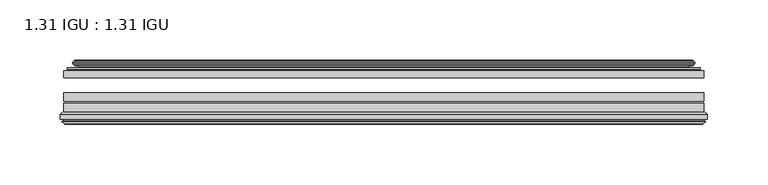
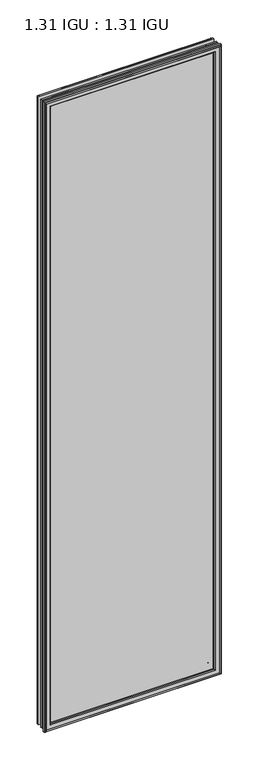
"""IFC4 building model written with IfcOpenShell, lengths in millimetres: plate geometry, 1.31 IGU : 1.31 IGU."""

from ifc_helpers import new_model, si_unit, frame, origin, place, context, project, spatial, polyline, ellipse_curve, outline, extrude, source, transform, mapped, element, save
from ifc_brep_helpers import plane_surface, cylinder_surface, revolved_surface, advanced_brep


def plate_1_31_igu_1_31_igu_c7709290(model_context):
    return source(origin(), model_context, "Body", "SolidModel", [
        extrude(outline(polyline([(265.1078362, -44.8960875), (265.1078362, -50.4332875), (-265.1127713, -50.4332875), (-265.1127713, -44.8960875), (265.1078362, -44.8960875)])), frame((0.0, 0.0, -14.2875), z_axis=(0.0, 0.0, 1.0), x_axis=(1.0, 0.0, 0.0)), (0.0, 0.0, 1.0), 2009.67848),
        extrude(outline(polyline([(-265.1127713, -78.7796875), (-265.1127713, -71.7692875), (265.1078362, -71.7692875), (265.1078362, -78.7796875), (-265.1127713, -78.7796875)])), frame((0.0, 0.0, -14.2875), z_axis=(0.0, 0.0, 1.0), x_axis=(1.0, 0.0, 0.0)), (0.0, 0.0, 1.0), 2009.67848),
        extrude(outline(polyline([(-265.1127713, -70.2452875), (-265.1127713, -63.1332875), (265.1078362, -63.1332875), (265.1078362, -70.2452875), (-265.1127713, -70.2452875)])), frame((0.0, 0.0, -14.2875), z_axis=(0.0, 0.0, 1.0), x_axis=(1.0, 0.0, 0.0)), (0.0, 0.0, 1.0), 2009.67848),
        advanced_brep(
        [(-255.7674468, -37.7373382, 1986.0456555), (-250.8258138, -36.3108875, 1981.1040226), (-250.8258138, -36.3108875, -0.0005426), (-255.7674468, -37.7373382, -4.9421755), (-255.6023415, -36.9605789, 1985.8805502), (-255.6023415, -36.9605789, -4.7770702), (-256.1978272, -36.4771203, 1986.4760359), (-256.1978272, -36.4771203, -5.3725559), (-257.462463, -37.766076, 1987.7406717), (-257.462463, -37.766076, -6.6371917), (-257.4516462, -38.8797852, 1987.7298549), (-257.4516462, -38.8797852, -6.6263749), (-256.170161, -40.1361433, 1986.4483697), (-256.170161, -40.1361433, -5.3448897), (-255.5651542, -39.649943, 1985.8433629), (-255.5651542, -39.649943, -4.7398829), (-256.1191684, -39.0959287, 1986.3973772), (-256.1191684, -39.0959287, -5.2938972), (-253.83336, -38.7029881, 1984.1115687), (-253.83336, -38.7029881, -3.0080887), (-252.3742869, -40.2107282, 1982.6524957), (-252.3742869, -40.2107282, -1.5490157), (-252.6708689, -41.651269, 1982.9490776), (-252.6708689, -41.651269, -1.8455976), (-253.4420933, -42.2798875, 1983.7203021), (-253.4420933, -42.2798875, -2.6168221), (-261.7460697, -43.4871542, 1992.0242784), (-261.4708682, -42.2798875, 1991.7490769), (-261.4708682, -42.2798875, -10.6455969), (-261.7460697, -43.4871542, -10.9207984), (-258.288501, -44.8960875, 1988.5667097), (-258.288501, -44.8960875, -7.4632297), (-247.1908772, -44.023302, 1977.4690859), (-247.5462152, -44.8960875, 1977.8244239), (-247.5462152, -44.8960875, 3.2790561), (-247.1908772, -44.023302, 3.6343941), (-247.8620752, -43.3681812, 1978.140284), (-247.8620752, -43.3681812, 2.963196), (-249.5028658, -40.6686056, 1979.7810746), (-249.5028658, -40.6686056, 1.3224054), (250.8258138, -36.3108875, -0.0005426), (255.7674468, -37.7373382, -4.9421755), (255.6023415, -36.9605789, -4.7770702), (256.1978272, -36.4771203, -5.3725559), (257.462463, -37.766076, -6.6371917), (257.4516462, -38.8797852, -6.6263749), (256.170161, -40.1361433, -5.3448897), (255.5651542, -39.649943, -4.7398829), (256.1191684, -39.0959287, -5.2938972), (253.83336, -38.7029881, -3.0080887), (252.3742869, -40.2107282, -1.5490157), (252.6708689, -41.651269, -1.8455976), (253.4420933, -42.2798875, -2.6168221), (261.4708682, -42.2798875, -10.6455969), (261.7460697, -43.4871542, -10.9207984), (258.288501, -44.8960875, -7.4632297), (247.5462152, -44.8960875, 3.2790561), (247.1908772, -44.023302, 3.6343941), (247.8620752, -43.3681812, 2.963196), (249.5028658, -40.6686056, 1.3224054), (250.8258138, -36.3108875, 1981.1040226), (255.7674468, -37.7373382, 1986.0456555), (255.6023415, -36.9605789, 1985.8805502), (256.1978272, -36.4771203, 1986.4760359), (257.462463, -37.766076, 1987.7406717), (257.4516462, -38.8797852, 1987.7298549), (256.170161, -40.1361433, 1986.4483697), (255.5651542, -39.649943, 1985.8433629), (256.1191684, -39.0959287, 1986.3973772), (253.83336, -38.7029881, 1984.1115687), (252.3742869, -40.2107282, 1982.6524957), (252.6708689, -41.651269, 1982.9490776), (253.4420933, -42.2798875, 1983.7203021), (261.4708682, -42.2798875, 1991.7490769), (261.7460697, -43.4871542, 1992.0242784), (258.288501, -44.8960875, 1988.5667097), (247.5462152, -44.8960875, 1977.8244239), (247.1908772, -44.023302, 1977.4690859), (247.8620752, -43.3681812, 1978.140284), (249.5028658, -40.6686056, 1979.7810746)],
        [
            (0, 1),
            (1, 2),
            (2, 3),
            (3, 0),
            (4, 0),
            (3, 5),
            (5, 4),
            (6, 4, ellipse_curve(frame((-255.9228584, -36.746901, 1986.2010671), z_axis=(-0.7071067811865475, 0.0, -0.7071067811865475), x_axis=(-0.7071067811865474, 0.0, 0.7071067811865476)), 0.5447741, 0.3852135)),
            (5, 7, ellipse_curve(frame((-255.9228584, -36.746901, -5.0975871), z_axis=(-0.7071067811865475, 0.0, 0.7071067811865475), x_axis=(0.7071067811865474, 0.0, 0.7071067811865476)), 0.5447741, 0.3852135)),
            (7, 6),
            (8, 6),
            (7, 9),
            (9, 8),
            (10, 8, ellipse_curve(frame((-256.9004099, -38.3175243, 1987.1786187), z_axis=(-0.7071067811865475, 0.0, -0.7071067811865475), x_axis=(-0.7071067811865474, 0.0, 0.7071067811865476)), 1.1135518, 0.7874)),
            (9, 11, ellipse_curve(frame((-256.9004099, -38.3175243, -6.0751387), z_axis=(-0.7071067811865475, 0.0, 0.7071067811865475), x_axis=(0.7071067811865474, 0.0, 0.7071067811865476)), 1.1135518, 0.7874)),
            (11, 10),
            (12, 10),
            (11, 13),
            (13, 12),
            (14, 12, ellipse_curve(frame((-255.8965635, -39.8570738, 1986.1747722), z_axis=(-0.7071067811865475, 0.0, -0.7071067811865475), x_axis=(-0.7071067811865474, 0.0, 0.7071067811865476)), 0.552694, 0.3908137)),
            (13, 15, ellipse_curve(frame((-255.8965635, -39.8570738, -5.0712922), z_axis=(-0.7071067811865475, 0.0, 0.7071067811865475), x_axis=(0.7071067811865474, 0.0, 0.7071067811865476)), 0.552694, 0.3908137)),
            (15, 14),
            (16, 14),
            (15, 17),
            (17, 16),
            (18, 16),
            (17, 19),
            (19, 18),
            (20, 18, ellipse_curve(frame((-253.6181974, -39.954629, 1983.8964061), z_axis=(0.7071067811865475, 0.0, 0.7071067811865475), x_axis=(0.7071067811865474, 0.0, -0.7071067811865476)), 1.7960512, 1.27)),
            (19, 21, ellipse_curve(frame((-253.6181974, -39.954629, -2.7929261), z_axis=(0.7071067811865475, 0.0, -0.7071067811865475), x_axis=(-0.7071067811865474, 0.0, -0.7071067811865476)), 1.7960512, 1.27)),
            (21, 20),
            (22, 20),
            (21, 23),
            (23, 22),
            (24, 22, ellipse_curve(frame((-253.4420933, -41.4924875, 1983.7203021), z_axis=(0.7071067811865475, 0.0, 0.7071067811865475), x_axis=(0.7071067811865474, 0.0, -0.7071067811865476)), 1.1135518, 0.7874)),
            (23, 25, ellipse_curve(frame((-253.4420933, -41.4924875, -2.6168221), z_axis=(0.7071067811865475, 0.0, -0.7071067811865475), x_axis=(-0.7071067811865474, 0.0, -0.7071067811865476)), 1.1135518, 0.7874)),
            (25, 24),
            (26, 27, ellipse_curve(frame((-261.4708682, -42.9148875, 1991.7490769), z_axis=(-0.7071067811865475, 0.0, -0.7071067811865475), x_axis=(-0.7071067811865474, 0.0, 0.7071067811865476)), 0.8980256, 0.635)),
            (27, 28),
            (28, 29, ellipse_curve(frame((-261.4708682, -42.9148875, -10.6455969), z_axis=(-0.7071067811865475, 0.0, 0.7071067811865475), x_axis=(0.7071067811865474, 0.0, 0.7071067811865476)), 0.8980256, 0.635)),
            (29, 26),
            (30, 26),
            (29, 31),
            (31, 30),
            (32, 33, ellipse_curve(frame((-247.5462152, -44.3873602, 1977.8244239), z_axis=(-0.7071067811865475, 0.0, -0.7071067811865475), x_axis=(-0.7071067811865474, 0.0, 0.7071067811865476)), 0.719449, 0.5087273)),
            (33, 34),
            (34, 35, ellipse_curve(frame((-247.5462152, -44.3873602, 3.2790561), z_axis=(-0.7071067811865475, 0.0, 0.7071067811865475), x_axis=(0.7071067811865474, 0.0, 0.7071067811865476)), 0.719449, 0.5087273)),
            (35, 32),
            (36, 32),
            (35, 37),
            (37, 36),
            (38, 36, ellipse_curve(frame((-243.426701, -38.823959, 1973.7049098), z_axis=(0.7071067811865475, 0.0, 0.7071067811865475), x_axis=(0.7071067811865474, 0.0, -0.7071067811865476)), 8.9802561, 6.35)),
            (37, 39, ellipse_curve(frame((-243.426701, -38.823959, 7.3985702), z_axis=(0.7071067811865475, 0.0, -0.7071067811865475), x_axis=(-0.7071067811865474, 0.0, -0.7071067811865476)), 8.9802561, 6.35)),
            (39, 38),
            (1, 38),
            (39, 2),
            (2, 40),
            (40, 41),
            (41, 3),
            (41, 42),
            (42, 5),
            (42, 43, ellipse_curve(frame((255.9228584, -36.746901, -5.0975871), z_axis=(-0.7071067811865475, 0.0, -0.7071067811865475), x_axis=(-0.7071067811865476, 0.0, 0.7071067811865474)), 0.5447741, 0.3852135)),
            (43, 7),
            (43, 44),
            (44, 9),
            (44, 45, ellipse_curve(frame((256.9004099, -38.3175243, -6.0751387), z_axis=(-0.7071067811865475, 0.0, -0.7071067811865475), x_axis=(-0.7071067811865476, 0.0, 0.7071067811865474)), 1.1135518, 0.7874)),
            (45, 11),
            (45, 46),
            (46, 13),
            (46, 47, ellipse_curve(frame((255.8965635, -39.8570738, -5.0712922), z_axis=(-0.7071067811865475, 0.0, -0.7071067811865475), x_axis=(-0.7071067811865476, 0.0, 0.7071067811865474)), 0.552694, 0.3908137)),
            (47, 15),
            (47, 48),
            (48, 17),
            (48, 49),
            (49, 19),
            (49, 50, ellipse_curve(frame((253.6181974, -39.954629, -2.7929261), z_axis=(0.7071067811865475, 0.0, 0.7071067811865475), x_axis=(0.7071067811865476, 0.0, -0.7071067811865474)), 1.7960512, 1.27)),
            (50, 21),
            (50, 51),
            (51, 23),
            (51, 52, ellipse_curve(frame((253.4420933, -41.4924875, -2.6168221), z_axis=(0.7071067811865475, 0.0, 0.7071067811865475), x_axis=(0.7071067811865476, 0.0, -0.7071067811865474)), 1.1135518, 0.7874)),
            (52, 25),
            (28, 53),
            (53, 54, ellipse_curve(frame((261.4708682, -42.9148875, -10.6455969), z_axis=(-0.7071067811865475, 0.0, -0.7071067811865475), x_axis=(-0.7071067811865476, 0.0, 0.7071067811865474)), 0.8980256, 0.635)),
            (54, 29),
            (54, 55),
            (55, 31),
            (34, 56),
            (56, 57, ellipse_curve(frame((247.5462152, -44.3873602, 3.2790561), z_axis=(-0.7071067811865475, 0.0, -0.7071067811865475), x_axis=(-0.7071067811865476, 0.0, 0.7071067811865474)), 0.719449, 0.5087273)),
            (57, 35),
            (57, 58),
            (58, 37),
            (58, 59, ellipse_curve(frame((243.426701, -38.823959, 7.3985702), z_axis=(0.7071067811865475, 0.0, 0.7071067811865475), x_axis=(0.7071067811865476, 0.0, -0.7071067811865474)), 8.9802561, 6.35)),
            (59, 39),
            (59, 40),
            (40, 60),
            (60, 61),
            (61, 41),
            (61, 62),
            (62, 42),
            (62, 63, ellipse_curve(frame((255.9228584, -36.746901, 1986.2010671), z_axis=(0.7071067811865475, 0.0, -0.7071067811865475), x_axis=(-0.7071067811865474, 0.0, -0.7071067811865476)), 0.5447741, 0.3852135)),
            (63, 43),
            (63, 64),
            (64, 44),
            (64, 65, ellipse_curve(frame((256.9004099, -38.3175243, 1987.1786187), z_axis=(0.7071067811865475, 0.0, -0.7071067811865475), x_axis=(-0.7071067811865474, 0.0, -0.7071067811865476)), 1.1135518, 0.7874)),
            (65, 45),
            (65, 66),
            (66, 46),
            (66, 67, ellipse_curve(frame((255.8965635, -39.8570738, 1986.1747722), z_axis=(0.7071067811865475, 0.0, -0.7071067811865475), x_axis=(-0.7071067811865474, 0.0, -0.7071067811865476)), 0.552694, 0.3908137)),
            (67, 47),
            (67, 68),
            (68, 48),
            (68, 69),
            (69, 49),
            (69, 70, ellipse_curve(frame((253.6181974, -39.954629, 1983.8964061), z_axis=(-0.7071067811865475, 0.0, 0.7071067811865475), x_axis=(0.7071067811865474, 0.0, 0.7071067811865476)), 1.7960512, 1.27)),
            (70, 50),
            (70, 71),
            (71, 51),
            (71, 72, ellipse_curve(frame((253.4420933, -41.4924875, 1983.7203021), z_axis=(-0.7071067811865475, 0.0, 0.7071067811865475), x_axis=(0.7071067811865474, 0.0, 0.7071067811865476)), 1.1135518, 0.7874)),
            (72, 52),
            (53, 73),
            (73, 74, ellipse_curve(frame((261.4708682, -42.9148875, 1991.7490769), z_axis=(0.7071067811865475, 0.0, -0.7071067811865475), x_axis=(-0.7071067811865474, 0.0, -0.7071067811865476)), 0.8980256, 0.635)),
            (74, 54),
            (74, 75),
            (75, 55),
            (56, 76),
            (76, 77, ellipse_curve(frame((247.5462152, -44.3873602, 1977.8244239), z_axis=(0.7071067811865475, 0.0, -0.7071067811865475), x_axis=(-0.7071067811865474, 0.0, -0.7071067811865476)), 0.719449, 0.5087273)),
            (77, 57),
            (77, 78),
            (78, 58),
            (78, 79, ellipse_curve(frame((243.426701, -38.823959, 1973.7049098), z_axis=(-0.7071067811865475, 0.0, 0.7071067811865475), x_axis=(0.7071067811865474, 0.0, 0.7071067811865476)), 8.9802561, 6.35)),
            (79, 59),
            (79, 60),
            (60, 1),
            (0, 61),
            (4, 62),
            (6, 63),
            (8, 64),
            (10, 65),
            (12, 66),
            (14, 67),
            (16, 68),
            (18, 69),
            (20, 70),
            (22, 71),
            (24, 72),
            (27, 73),
            (26, 74),
            (30, 75),
            (33, 76),
            (32, 77),
            (36, 78),
            (38, 79),
        ],
        [
            plane_surface(frame((-250.8258138, -36.3108875, 1981.1040226), z_axis=(-0.2773364928492854, 0.9607728502273877, 0.0), x_axis=(0.0, 0.0, -1.0))),
            plane_surface(frame((-255.7674468, -37.7373382, 1986.0456555), z_axis=(0.9781476007338358, -0.2079116908176177, 0.0), x_axis=(0.0, 0.0, -1.0))),
            cylinder_surface(frame((-255.9228584, -36.746901, 2012.85348), z_axis=(0.0, 0.0, 1.0), x_axis=(-1.0, 0.0, 0.0)), 0.3852135),
            plane_surface(frame((-256.1978272, -36.4771203, 1986.4760359), z_axis=(-0.7138087599382162, 0.7003406701280928, 0.0), x_axis=(0.0, 0.0, -1.0))),
            cylinder_surface(frame((-256.9004099, -38.3175243, 2012.85348), z_axis=(0.0, 0.0, 1.0), x_axis=(-1.0, 0.0, 0.0)), 0.7874),
            plane_surface(frame((-257.4516462, -38.8797852, 1987.7298549), z_axis=(-0.7000714109283732, -0.7140728391423082, 0.0), x_axis=(0.0, 0.0, -1.0))),
            cylinder_surface(frame((-255.8965635, -39.8570738, 2012.85348), z_axis=(0.0, 0.0, 1.0), x_axis=(-1.0, 0.0, 0.0)), 0.3908137),
            plane_surface(frame((-255.5651542, -39.649943, 1985.8433629), z_axis=(0.7071067811861126, 0.7071067811869826, 0.0), x_axis=(0.0, 0.0, -1.0))),
            plane_surface(frame((-256.1191684, -39.0959287, 1986.3973772), z_axis=(0.16941940671011482, -0.9855440449974789, 0.0), x_axis=(0.0, 0.0, -1.0))),
            revolved_surface(polyline([(-254.88819740000002, -39.954629, -4.062926082878221), (-254.88819740000002, -39.954629, 1985.1664060828782)]), (-253.6181974, -39.954629, 2012.85348), (0.0, 0.0, -1.0)),
            plane_surface(frame((-252.3742869, -40.2107282, 1982.6524957), z_axis=(-0.9794570432566897, 0.201652920670302, 0.0), x_axis=(0.0, 0.0, -1.0))),
            revolved_surface(polyline([(-254.2294933, -41.4924875, -3.4042221289826102), (-254.2294933, -41.4924875, 1984.5077021289826)]), (-253.4420933, -41.4924875, 2012.85348), (0.0, 0.0, -1.0)),
            cylinder_surface(frame((-261.4708682, -42.9148875, 2012.85348), z_axis=(0.0, 0.0, 1.0), x_axis=(-1.0, 0.0, 0.0)), 0.635),
            plane_surface(frame((-261.7460697, -43.4871542, 1992.0242784), z_axis=(-0.37736447542757934, -0.9260648209954139, 0.0), x_axis=(0.0, 0.0, -1.0))),
            cylinder_surface(frame((-247.5462152, -44.3873602, 2012.85348), z_axis=(0.0, 0.0, 1.0), x_axis=(-1.0, 0.0, 0.0)), 0.5087273),
            plane_surface(frame((-247.1908772, -44.023302, 1977.4690859), z_axis=(0.698484125849927, 0.7156255486884628, 0.0), x_axis=(0.0, 0.0, -1.0))),
            revolved_surface(polyline([(-249.776701, -38.823959, 1.0485702148980636), (-249.776701, -38.823959, 1980.054909785102)]), (-243.426701, -38.823959, 2012.85348), (0.0, 0.0, -1.0)),
            plane_surface(frame((-249.5028658, -40.6686056, 1979.7810746), z_axis=(0.9568763473517009, 0.2904955350411895, 0.0), x_axis=(0.0, 0.0, -1.0))),
            plane_surface(frame((-250.8258138, -36.3108875, -0.0005426), z_axis=(0.0, 0.9607728502273868, -0.2773364928492885), x_axis=(1.0, 0.0, 0.0))),
            plane_surface(frame((-255.7674468, -37.7373382, -4.9421755), z_axis=(0.0, -0.20791169081761454, 0.9781476007338364), x_axis=(1.0, 0.0, 0.0))),
            cylinder_surface(frame((-282.5752713, -36.746901, -5.0975871), z_axis=(-1.0, 0.0, 0.0), x_axis=(0.0, 0.0, -1.0)), 0.3852135),
            plane_surface(frame((-256.1978272, -36.4771203, -5.3725559), z_axis=(0.0, 0.7003406701280904, -0.7138087599382185), x_axis=(1.0, 0.0, 0.0))),
            cylinder_surface(frame((-282.5752713, -38.3175243, -6.0751387), z_axis=(-1.0, 0.0, 0.0), x_axis=(0.0, 0.0, -1.0)), 0.7874),
            plane_surface(frame((-257.4516462, -38.8797852, -6.6263749), z_axis=(0.0, -0.7140728391423105, -0.7000714109283709), x_axis=(1.0, 0.0, 0.0))),
            cylinder_surface(frame((-282.5752713, -39.8570738, -5.0712922), z_axis=(-1.0, 0.0, 0.0), x_axis=(0.0, 0.0, -1.0)), 0.3908137),
            plane_surface(frame((-255.5651542, -39.649943, -4.7398829), z_axis=(0.0, 0.7071067811869849, 0.7071067811861103), x_axis=(1.0, 0.0, 0.0))),
            plane_surface(frame((-256.1191684, -39.0959287, -5.2938972), z_axis=(0.0, -0.9855440449974784, 0.16941940671011801), x_axis=(1.0, 0.0, 0.0))),
            revolved_surface(polyline([(254.88819738287833, -39.954629, -4.0629261), (-254.88819738287825, -39.954629, -4.0629261)]), (-282.5752713, -39.954629, -2.7929261), (1.0, 0.0, 0.0)),
            plane_surface(frame((-252.3742869, -40.2107282, -1.5490157), z_axis=(0.0, 0.20165292067029883, -0.9794570432566904), x_axis=(1.0, 0.0, 0.0))),
            revolved_surface(polyline([(254.22949332898253, -41.4924875, -3.4042220999999997), (-254.2294933289825, -41.4924875, -3.4042220999999997)]), (-282.5752713, -41.4924875, -2.6168221), (1.0, 0.0, 0.0)),
            cylinder_surface(frame((-282.5752713, -42.9148875, -10.6455969), z_axis=(-1.0, 0.0, 0.0), x_axis=(0.0, 0.0, -1.0)), 0.635),
            plane_surface(frame((-261.7460697, -43.4871542, -10.9207984), z_axis=(0.0, -0.9260648209954151, -0.37736447542757634), x_axis=(1.0, 0.0, 0.0))),
            cylinder_surface(frame((-282.5752713, -44.3873602, 3.2790561), z_axis=(-1.0, 0.0, 0.0), x_axis=(0.0, 0.0, -1.0)), 0.5087273),
            plane_surface(frame((-247.1908772, -44.023302, 3.6343941), z_axis=(0.0, 0.7156255486884651, 0.6984841258499247), x_axis=(1.0, 0.0, 0.0))),
            revolved_surface(polyline([(249.77670098510185, -38.823959, 1.0485702000000003), (-249.77670098510185, -38.823959, 1.0485702000000003)]), (-282.5752713, -38.823959, 7.3985702), (1.0, 0.0, 0.0)),
            plane_surface(frame((-249.5028658, -40.6686056, 1.3224054), z_axis=(0.0, 0.29049553504119263, 0.9568763473517), x_axis=(1.0, 0.0, 0.0))),
            plane_surface(frame((250.8258138, -36.3108875, -0.0005426), z_axis=(0.2773364928492916, 0.9607728502273859, 0.0), x_axis=(0.0, 0.0, 1.0))),
            plane_surface(frame((255.7674468, -37.7373382, -4.9421755), z_axis=(-0.9781476007338371, -0.20791169081761138, 0.0), x_axis=(0.0, 0.0, 1.0))),
            cylinder_surface(frame((255.9228584, -36.746901, -31.75), z_axis=(0.0, 0.0, -1.0), x_axis=(1.0, 0.0, 0.0)), 0.3852135),
            plane_surface(frame((256.1978272, -36.4771203, -5.3725559), z_axis=(0.7138087599382208, 0.7003406701280882, 0.0), x_axis=(0.0, 0.0, 1.0))),
            cylinder_surface(frame((256.9004099, -38.3175243, -31.75), z_axis=(0.0, 0.0, -1.0), x_axis=(1.0, 0.0, 0.0)), 0.7874),
            plane_surface(frame((257.4516462, -38.8797852, -6.6263749), z_axis=(0.7000714109283687, -0.7140728391423128, 0.0), x_axis=(0.0, 0.0, 1.0))),
            cylinder_surface(frame((255.8965635, -39.8570738, -31.75), z_axis=(0.0, 0.0, -1.0), x_axis=(1.0, 0.0, 0.0)), 0.3908137),
            plane_surface(frame((255.5651542, -39.649943, -4.7398829), z_axis=(-0.7071067811861079, 0.7071067811869872, 0.0), x_axis=(0.0, 0.0, 1.0))),
            plane_surface(frame((256.1191684, -39.0959287, -5.2938972), z_axis=(-0.1694194067101212, -0.9855440449974778, 0.0), x_axis=(0.0, 0.0, 1.0))),
            revolved_surface(polyline([(254.88819740000002, -39.954629, 1985.1664060828782), (254.88819740000002, -39.954629, -4.062926082878235)]), (253.6181974, -39.954629, -31.75), (0.0, 0.0, 1.0)),
            plane_surface(frame((252.3742869, -40.2107282, -1.5490157), z_axis=(0.979457043256691, 0.20165292067029567, 0.0), x_axis=(0.0, 0.0, 1.0))),
            revolved_surface(polyline([(254.2294933, -41.4924875, 1984.5077021289826), (254.2294933, -41.4924875, -3.404222128982486)]), (253.4420933, -41.4924875, -31.75), (0.0, 0.0, 1.0)),
            cylinder_surface(frame((261.4708682, -42.9148875, -31.75), z_axis=(0.0, 0.0, -1.0), x_axis=(1.0, 0.0, 0.0)), 0.635),
            plane_surface(frame((261.7460697, -43.4871542, -10.9207984), z_axis=(0.37736447542757334, -0.9260648209954163, 0.0), x_axis=(0.0, 0.0, 1.0))),
            cylinder_surface(frame((247.5462152, -44.3873602, -31.75), z_axis=(0.0, 0.0, -1.0), x_axis=(1.0, 0.0, 0.0)), 0.5087273),
            plane_surface(frame((247.1908772, -44.023302, 3.6343941), z_axis=(-0.6984841258499224, 0.7156255486884673, 0.0), x_axis=(0.0, 0.0, 1.0))),
            revolved_surface(polyline([(249.776701, -38.823959, 1980.054909785102), (249.776701, -38.823959, 1.0485702148981417)]), (243.426701, -38.823959, -31.75), (0.0, 0.0, 1.0)),
            plane_surface(frame((249.5028658, -40.6686056, 1.3224054), z_axis=(-0.9568763473516991, 0.29049553504119574, 0.0), x_axis=(0.0, 0.0, 1.0))),
            plane_surface(frame((250.8258138, -36.3108875, 1981.1040226), z_axis=(0.0, 0.9607728502273868, 0.2773364928492885), x_axis=(-1.0, 0.0, 0.0))),
            plane_surface(frame((255.7674468, -37.7373382, 1986.0456555), z_axis=(0.0, -0.20791169081761454, -0.9781476007338364), x_axis=(-1.0, 0.0, 0.0))),
            cylinder_surface(frame((282.5752713, -36.746901, 1986.2010671), z_axis=(1.0, 0.0, 0.0), x_axis=(0.0, 0.0, 1.0)), 0.3852135),
            plane_surface(frame((256.1978272, -36.4771203, 1986.4760359), z_axis=(0.0, 0.7003406701280904, 0.7138087599382185), x_axis=(-1.0, 0.0, 0.0))),
            cylinder_surface(frame((282.5752713, -38.3175243, 1987.1786187), z_axis=(1.0, 0.0, 0.0), x_axis=(0.0, 0.0, 1.0)), 0.7874),
            plane_surface(frame((257.4516462, -38.8797852, 1987.7298549), z_axis=(0.0, -0.7140728391423106, 0.700071410928371), x_axis=(-1.0, 0.0, 0.0))),
            cylinder_surface(frame((282.5752713, -39.8570738, 1986.1747722), z_axis=(1.0, 0.0, 0.0), x_axis=(0.0, 0.0, 1.0)), 0.3908137),
            plane_surface(frame((255.5651542, -39.649943, 1985.8433629), z_axis=(0.0, 0.7071067811869849, -0.7071067811861103), x_axis=(-1.0, 0.0, 0.0))),
            plane_surface(frame((256.1191684, -39.0959287, 1986.3973772), z_axis=(0.0, -0.9855440449974784, -0.16941940671011801), x_axis=(-1.0, 0.0, 0.0))),
            revolved_surface(polyline([(-254.88819738287833, -39.954629, 1985.1664061), (254.88819738287825, -39.954629, 1985.1664061)]), (282.5752713, -39.954629, 1983.8964061), (-1.0, 0.0, 0.0)),
            plane_surface(frame((252.3742869, -40.2107282, 1982.6524957), z_axis=(0.0, 0.20165292067029883, 0.9794570432566904), x_axis=(-1.0, 0.0, 0.0))),
            revolved_surface(polyline([(-254.22949332898253, -41.4924875, 1984.5077021), (254.2294933289825, -41.4924875, 1984.5077021)]), (282.5752713, -41.4924875, 1983.7203021), (-1.0, 0.0, 0.0)),
            plane_surface(frame((253.4420933, -42.2798875, 1983.7203021), z_axis=(0.0, 1.0, 0.0), x_axis=(-1.0, 0.0, 0.0))),
            cylinder_surface(frame((282.5752713, -42.9148875, 1991.7490769), z_axis=(1.0, 0.0, 0.0), x_axis=(0.0, 0.0, 1.0)), 0.635),
            plane_surface(frame((261.7460697, -43.4871542, 1992.0242784), z_axis=(0.0, -0.9260648209954151, 0.37736447542757634), x_axis=(-1.0, 0.0, 0.0))),
            plane_surface(frame((258.288501, -44.8960875, 1988.5667097), z_axis=(0.0, -1.0, 0.0), x_axis=(-1.0, 0.0, 0.0))),
            cylinder_surface(frame((282.5752713, -44.3873602, 1977.8244239), z_axis=(1.0, 0.0, 0.0), x_axis=(0.0, 0.0, 1.0)), 0.5087273),
            plane_surface(frame((247.1908772, -44.023302, 1977.4690859), z_axis=(0.0, 0.7156255486884651, -0.6984841258499247), x_axis=(-1.0, 0.0, 0.0))),
            revolved_surface(polyline([(-249.77670098510185, -38.823959, 1980.0549098), (249.77670098510185, -38.823959, 1980.0549098)]), (282.5752713, -38.823959, 1973.7049098), (-1.0, 0.0, 0.0)),
            plane_surface(frame((249.5028658, -40.6686056, 1979.7810746), z_axis=(0.0, 0.29049553504119263, -0.9568763473517), x_axis=(-1.0, 0.0, 0.0))),
        ],
        [
            (0, [[1, 2, 3, 4]]),
            (1, [[5, -4, 6, 7]]),
            (2, [[8, -7, 9, 10]]),
            (3, [[11, -10, 12, 13]]),
            (4, [[14, -13, 15, 16]]),
            (5, [[17, -16, 18, 19]]),
            (6, [[20, -19, 21, 22]]),
            (7, [[23, -22, 24, 25]]),
            (8, [[26, -25, 27, 28]]),
            (9, [[29, -28, 30, 31]]),
            (10, [[32, -31, 33, 34]]),
            (11, [[35, -34, 36, 37]]),
            (12, [[38, 39, 40, 41]]),
            (13, [[42, -41, 43, 44]]),
            (14, [[45, 46, 47, 48]]),
            (15, [[49, -48, 50, 51]]),
            (16, [[52, -51, 53, 54]]),
            (17, [[55, -54, 56, -2]]),
            (18, [[-3, 57, 58, 59]]),
            (19, [[-6, -59, 60, 61]]),
            (20, [[-9, -61, 62, 63]]),
            (21, [[-12, -63, 64, 65]]),
            (22, [[-15, -65, 66, 67]]),
            (23, [[-18, -67, 68, 69]]),
            (24, [[-21, -69, 70, 71]]),
            (25, [[-24, -71, 72, 73]]),
            (26, [[-27, -73, 74, 75]]),
            (27, [[-30, -75, 76, 77]]),
            (28, [[-33, -77, 78, 79]]),
            (29, [[-36, -79, 80, 81]]),
            (30, [[-40, 82, 83, 84]]),
            (31, [[-43, -84, 85, 86]]),
            (32, [[-47, 87, 88, 89]]),
            (33, [[-50, -89, 90, 91]]),
            (34, [[-53, -91, 92, 93]]),
            (35, [[-56, -93, 94, -57]]),
            (36, [[-58, 95, 96, 97]]),
            (37, [[-60, -97, 98, 99]]),
            (38, [[-62, -99, 100, 101]]),
            (39, [[-64, -101, 102, 103]]),
            (40, [[-66, -103, 104, 105]]),
            (41, [[-68, -105, 106, 107]]),
            (42, [[-70, -107, 108, 109]]),
            (43, [[-72, -109, 110, 111]]),
            (44, [[-74, -111, 112, 113]]),
            (45, [[-76, -113, 114, 115]]),
            (46, [[-78, -115, 116, 117]]),
            (47, [[-80, -117, 118, 119]]),
            (48, [[-83, 120, 121, 122]]),
            (49, [[-85, -122, 123, 124]]),
            (50, [[-88, 125, 126, 127]]),
            (51, [[-90, -127, 128, 129]]),
            (52, [[-92, -129, 130, 131]]),
            (53, [[-94, -131, 132, -95]]),
            (54, [[-96, 133, -1, 134]]),
            (55, [[-98, -134, -5, 135]]),
            (56, [[-100, -135, -8, 136]]),
            (57, [[-102, -136, -11, 137]]),
            (58, [[-104, -137, -14, 138]]),
            (59, [[-106, -138, -17, 139]]),
            (60, [[-108, -139, -20, 140]]),
            (61, [[-110, -140, -23, 141]]),
            (62, [[-112, -141, -26, 142]]),
            (63, [[-114, -142, -29, 143]]),
            (64, [[-116, -143, -32, 144]]),
            (65, [[-118, -144, -35, 145]]),
            (66, [[146, -120, -82, -39], [-81, -119, -145, -37]]),
            (67, [[-121, -146, -38, 147]]),
            (68, [[-123, -147, -42, 148]]),
            (69, [[-86, -124, -148, -44], [149, -125, -87, -46]]),
            (70, [[-126, -149, -45, 150]]),
            (71, [[-128, -150, -49, 151]]),
            (72, [[-130, -151, -52, 152]]),
            (73, [[-132, -152, -55, -133]]),
        ],
    ),
        advanced_brep(
        [(-248.1377207, -83.3389875, 1978.4159294), (-249.9127868, -85.1296875, 1980.1909955), (-249.9127868, -85.1296875, 0.9124845), (-248.1377207, -83.3389875, 2.6875506), (-247.1145114, -78.7796875, 1977.3927201), (-247.1145114, -78.7796875, 3.7107599), (-267.6952204, -80.9740477, 1997.9734291), (-265.5008601, -78.7796875, 1995.7790689), (-265.5008601, -78.7796875, -14.6755889), (-267.6952204, -80.9740477, -16.8699491), (-267.6952204, -85.1296875, 1997.9734291), (-267.6952204, -85.1296875, -16.8699491), (-265.1701602, -86.3747112, 1995.4483689), (-265.9213872, -85.1296875, 1996.1995959), (-265.9213872, -85.1296875, -15.0961159), (-265.1701602, -86.3747112, -14.3448889), (-264.8606311, -87.6502863, 1995.1388398), (-264.8606311, -87.6502863, -14.0353598), (-265.8787445, -87.2076396, 1996.1569532), (-265.8787445, -87.2076396, -15.0534732), (-264.1917551, -88.8840626, 1994.4699638), (-266.6734545, -87.2076396, 1996.9516632), (-266.6734545, -87.2076396, -15.8481832), (-264.1917551, -88.8840626, -13.3664838), (-262.0399297, -86.9401656, 1992.3181384), (-262.0399297, -86.9401656, -11.2146584), (-263.7472839, -87.5528811, 1994.0254926), (-262.8215027, -86.9401656, 1993.0997114), (-262.8215027, -86.9401656, -11.9962314), (-263.7472839, -87.5528811, -12.9220126), (-263.6639585, -86.2429356, 1993.9421673), (-263.6639585, -86.2429356, -12.8386873), (-263.0657205, -85.1296875, 1993.3439292), (-263.0657205, -85.1296875, -12.2404492), (249.9127868, -85.1296875, 0.9124845), (248.1377207, -83.3389875, 2.6875506), (247.1145114, -78.7796875, 3.7107599), (265.5008601, -78.7796875, -14.6755889), (267.6952204, -80.9740477, -16.8699491), (267.6952204, -85.1296875, -16.8699491), (265.9213872, -85.1296875, -15.0961159), (265.1701602, -86.3747112, -14.3448889), (264.8606311, -87.6502863, -14.0353598), (265.8787445, -87.2076396, -15.0534732), (266.6734545, -87.2076396, -15.8481832), (264.1917551, -88.8840626, -13.3664838), (262.0399297, -86.9401656, -11.2146584), (262.8215027, -86.9401656, -11.9962314), (263.7472839, -87.5528811, -12.9220126), (263.6639585, -86.2429356, -12.8386873), (263.0657205, -85.1296875, -12.2404492), (249.9127868, -85.1296875, 1980.1909955), (248.1377207, -83.3389875, 1978.4159294), (247.1145114, -78.7796875, 1977.3927201), (265.5008601, -78.7796875, 1995.7790689), (267.6952204, -80.9740477, 1997.9734291), (267.6952204, -85.1296875, 1997.9734291), (265.9213872, -85.1296875, 1996.1995959), (265.1701602, -86.3747112, 1995.4483689), (264.8606311, -87.6502863, 1995.1388398), (265.8787445, -87.2076396, 1996.1569532), (266.6734545, -87.2076396, 1996.9516632), (264.1917551, -88.8840626, 1994.4699638), (262.0399297, -86.9401656, 1992.3181384), (262.8215027, -86.9401656, 1993.0997114), (263.7472839, -87.5528811, 1994.0254926), (263.6639585, -86.2429356, 1993.9421673), (263.0657205, -85.1296875, 1993.3439292)],
        [
            (0, 1, ellipse_curve(frame((-250.1642218, -83.1053133, 1980.4424305), z_axis=(-0.7071067811865475, 0.0, -0.7071067811865475), x_axis=(-0.7071067811865474, 0.0, 0.7071067811865476)), 2.8848953, 2.039929)),
            (1, 2),
            (2, 3, ellipse_curve(frame((-250.1642218, -83.1053133, 0.6610495), z_axis=(-0.7071067811865475, 0.0, 0.7071067811865475), x_axis=(0.7071067811865474, 0.0, 0.7071067811865476)), 2.8848953, 2.039929)),
            (3, 0),
            (4, 0),
            (3, 5),
            (5, 4),
            (6, 7),
            (7, 8),
            (8, 9),
            (9, 6),
            (10, 6),
            (9, 11),
            (11, 10),
            (12, 13),
            (13, 14),
            (14, 15),
            (15, 12),
            (16, 12),
            (15, 17),
            (17, 16),
            (18, 16),
            (17, 19),
            (19, 18),
            (20, 21),
            (21, 22),
            (22, 23),
            (23, 20),
            (24, 20),
            (23, 25),
            (25, 24),
            (26, 27),
            (27, 28),
            (28, 29),
            (29, 26),
            (30, 26),
            (29, 31),
            (31, 30),
            (32, 30),
            (31, 33),
            (33, 32),
            (2, 34),
            (34, 35, ellipse_curve(frame((250.1642218, -83.1053133, 0.6610495), z_axis=(-0.7071067811865475, 0.0, -0.7071067811865475), x_axis=(-0.7071067811865476, 0.0, 0.7071067811865474)), 2.8848953, 2.039929)),
            (35, 3),
            (35, 36),
            (36, 5),
            (8, 37),
            (37, 38),
            (38, 9),
            (38, 39),
            (39, 11),
            (14, 40),
            (40, 41),
            (41, 15),
            (41, 42),
            (42, 17),
            (42, 43),
            (43, 19),
            (22, 44),
            (44, 45),
            (45, 23),
            (45, 46),
            (46, 25),
            (28, 47),
            (47, 48),
            (48, 29),
            (48, 49),
            (49, 31),
            (49, 50),
            (50, 33),
            (34, 51),
            (51, 52, ellipse_curve(frame((250.1642218, -83.1053133, 1980.4424305), z_axis=(0.7071067811865475, 0.0, -0.7071067811865475), x_axis=(-0.7071067811865474, 0.0, -0.7071067811865476)), 2.8848953, 2.039929)),
            (52, 35),
            (52, 53),
            (53, 36),
            (37, 54),
            (54, 55),
            (55, 38),
            (55, 56),
            (56, 39),
            (40, 57),
            (57, 58),
            (58, 41),
            (58, 59),
            (59, 42),
            (59, 60),
            (60, 43),
            (44, 61),
            (61, 62),
            (62, 45),
            (62, 63),
            (63, 46),
            (47, 64),
            (64, 65),
            (65, 48),
            (65, 66),
            (66, 49),
            (66, 67),
            (67, 50),
            (51, 1),
            (0, 52),
            (4, 53),
            (7, 54),
            (6, 55),
            (10, 56),
            (13, 57),
            (12, 58),
            (16, 59),
            (18, 60),
            (21, 61),
            (20, 62),
            (24, 63),
            (27, 64),
            (26, 65),
            (30, 66),
            (32, 67),
        ],
        [
            cylinder_surface(frame((-250.1642218, -83.1053133, 2012.85348), z_axis=(0.0, 0.0, 1.0), x_axis=(-1.0, 0.0, 0.0)), 2.039929),
            plane_surface(frame((-248.1377207, -83.3389875, 1978.4159294), z_axis=(0.9757302952562701, -0.2189757770145185, 0.0), x_axis=(0.0, 0.0, -1.0))),
            plane_surface(frame((-265.5008601, -78.7796875, 1995.7790689), z_axis=(-0.7071067811871722, 0.7071067811859229, 0.0), x_axis=(0.0, 0.0, -1.0))),
            plane_surface(frame((-267.6952204, -80.9740477, 1997.9734291), z_axis=(-1.0, 0.0, 0.0), x_axis=(0.0, 0.0, -1.0))),
            plane_surface(frame((-265.9213872, -85.1296875, 1996.1995959), z_axis=(-0.8562121193263807, -0.516624434883434, 0.0), x_axis=(0.0, 0.0, -1.0))),
            plane_surface(frame((-265.1701602, -86.3747112, 1995.4483689), z_axis=(-0.9717979666139347, -0.23581499546259124, 0.0), x_axis=(0.0, 0.0, -1.0))),
            plane_surface(frame((-264.8606311, -87.6502863, 1995.1388398), z_axis=(0.3987175451776161, 0.9170737806564615, 0.0), x_axis=(0.0, 0.0, -1.0))),
            plane_surface(frame((-266.6734545, -87.2076396, 1996.9516632), z_axis=(-0.5597655002239059, -0.8286510633306884, 0.0), x_axis=(0.0, 0.0, -1.0))),
            plane_surface(frame((-264.1917551, -88.8840626, 1994.4699638), z_axis=(0.670345652676111, -0.7420489916024674, 0.0), x_axis=(0.0, 0.0, -1.0))),
            plane_surface(frame((-262.8215027, -86.9401656, 1993.0997114), z_axis=(-0.5519083205498945, 0.8339047941508642, 0.0), x_axis=(0.0, 0.0, -1.0))),
            plane_surface(frame((-263.7472839, -87.5528811, 1994.0254926), z_axis=(0.9979830161114805, -0.06348148984572213, 0.0), x_axis=(0.0, 0.0, -1.0))),
            plane_surface(frame((-263.6639585, -86.2429356, 1993.9421673), z_axis=(0.8808682216207324, -0.47336157019632297, 0.0), x_axis=(0.0, 0.0, -1.0))),
            cylinder_surface(frame((-282.5752713, -83.1053133, 0.6610495), z_axis=(-1.0, 0.0, 0.0), x_axis=(0.0, 0.0, -1.0)), 2.039929),
            plane_surface(frame((-248.1377207, -83.3389875, 2.6875506), z_axis=(0.0, -0.21897577701451534, 0.9757302952562708), x_axis=(1.0, 0.0, 0.0))),
            plane_surface(frame((-265.5008601, -78.7796875, -14.6755889), z_axis=(0.0, 0.7071067811859205, -0.7071067811871745), x_axis=(1.0, 0.0, 0.0))),
            plane_surface(frame((-267.6952204, -80.9740477, -16.8699491), z_axis=(0.0, 0.0, -1.0), x_axis=(1.0, 0.0, 0.0))),
            plane_surface(frame((-265.9213872, -85.1296875, -15.0961159), z_axis=(0.0, -0.5166244348834368, -0.8562121193263791), x_axis=(1.0, 0.0, 0.0))),
            plane_surface(frame((-265.1701602, -86.3747112, -14.3448889), z_axis=(0.0, -0.23581499546259438, -0.9717979666139339), x_axis=(1.0, 0.0, 0.0))),
            plane_surface(frame((-264.8606311, -87.6502863, -14.0353598), z_axis=(0.0, 0.9170737806564628, 0.39871754517761315), x_axis=(1.0, 0.0, 0.0))),
            plane_surface(frame((-266.6734545, -87.2076396, -15.8481832), z_axis=(0.0, -0.8286510633306902, -0.5597655002239033), x_axis=(1.0, 0.0, 0.0))),
            plane_surface(frame((-264.1917551, -88.8840626, -13.3664838), z_axis=(0.0, -0.7420489916024652, 0.6703456526761135), x_axis=(1.0, 0.0, 0.0))),
            plane_surface(frame((-262.8215027, -86.9401656, -11.9962314), z_axis=(0.0, 0.8339047941508624, -0.5519083205498971), x_axis=(1.0, 0.0, 0.0))),
            plane_surface(frame((-263.7472839, -87.5528811, -12.9220126), z_axis=(0.0, -0.0634814898457189, 0.9979830161114808), x_axis=(1.0, 0.0, 0.0))),
            plane_surface(frame((-263.6639585, -86.2429356, -12.8386873), z_axis=(0.0, -0.47336157019632014, 0.880868221620734), x_axis=(1.0, 0.0, 0.0))),
            cylinder_surface(frame((250.1642218, -83.1053133, -31.75), z_axis=(0.0, 0.0, -1.0), x_axis=(1.0, 0.0, 0.0)), 2.039929),
            plane_surface(frame((248.1377207, -83.3389875, 2.6875506), z_axis=(-0.9757302952562714, -0.21897577701451218, 0.0), x_axis=(0.0, 0.0, 1.0))),
            plane_surface(frame((265.5008601, -78.7796875, -14.6755889), z_axis=(0.7071067811871768, 0.7071067811859182, 0.0), x_axis=(0.0, 0.0, 1.0))),
            plane_surface(frame((267.6952204, -80.9740477, -16.8699491), z_axis=(1.0, 0.0, 0.0), x_axis=(0.0, 0.0, 1.0))),
            plane_surface(frame((265.9213872, -85.1296875, -15.0961159), z_axis=(0.8562121193263774, -0.5166244348834396, 0.0), x_axis=(0.0, 0.0, 1.0))),
            plane_surface(frame((265.1701602, -86.3747112, -14.3448889), z_axis=(0.9717979666139331, -0.23581499546259752, 0.0), x_axis=(0.0, 0.0, 1.0))),
            plane_surface(frame((264.8606311, -87.6502863, -14.0353598), z_axis=(-0.3987175451776102, 0.9170737806564642, 0.0), x_axis=(0.0, 0.0, 1.0))),
            plane_surface(frame((266.6734545, -87.2076396, -15.8481832), z_axis=(0.5597655002239006, -0.8286510633306919, 0.0), x_axis=(0.0, 0.0, 1.0))),
            plane_surface(frame((264.1917551, -88.8840626, -13.3664838), z_axis=(-0.6703456526761159, -0.742048991602463, 0.0), x_axis=(0.0, 0.0, 1.0))),
            plane_surface(frame((262.8215027, -86.9401656, -11.9962314), z_axis=(0.5519083205498998, 0.8339047941508606, 0.0), x_axis=(0.0, 0.0, 1.0))),
            plane_surface(frame((263.7472839, -87.5528811, -12.9220126), z_axis=(-0.997983016111481, -0.06348148984571567, 0.0), x_axis=(0.0, 0.0, 1.0))),
            plane_surface(frame((263.6639585, -86.2429356, -12.8386873), z_axis=(-0.8808682216207355, -0.4733615701963173, 0.0), x_axis=(0.0, 0.0, 1.0))),
            cylinder_surface(frame((282.5752713, -83.1053133, 1980.4424305), z_axis=(1.0, 0.0, 0.0), x_axis=(0.0, 0.0, 1.0)), 2.039929),
            plane_surface(frame((248.1377207, -83.3389875, 1978.4159294), z_axis=(0.0, -0.21897577701451534, -0.9757302952562708), x_axis=(-1.0, 0.0, 0.0))),
            plane_surface(frame((247.1145114, -78.7796875, 1977.3927201), z_axis=(0.0, 1.0, 0.0), x_axis=(-1.0, 0.0, 0.0))),
            plane_surface(frame((265.5008601, -78.7796875, 1995.7790689), z_axis=(0.0, 0.7071067811859205, 0.7071067811871745), x_axis=(-1.0, 0.0, 0.0))),
            plane_surface(frame((267.6952204, -80.9740477, 1997.9734291), z_axis=(0.0, 0.0, 1.0), x_axis=(-1.0, 0.0, 0.0))),
            plane_surface(frame((267.6952204, -85.1296875, 1997.9734291), z_axis=(0.0, -1.0, 0.0), x_axis=(-1.0, 0.0, 0.0))),
            plane_surface(frame((265.9213872, -85.1296875, 1996.1995959), z_axis=(0.0, -0.5166244348834368, 0.8562121193263791), x_axis=(-1.0, 0.0, 0.0))),
            plane_surface(frame((265.1701602, -86.3747112, 1995.4483689), z_axis=(0.0, -0.23581499546259438, 0.9717979666139339), x_axis=(-1.0, 0.0, 0.0))),
            plane_surface(frame((264.8606311, -87.6502863, 1995.1388398), z_axis=(0.0, 0.9170737806564628, -0.39871754517761315), x_axis=(-1.0, 0.0, 0.0))),
            plane_surface(frame((265.8787445, -87.2076396, 1996.1569532), z_axis=(0.0, 1.0, 0.0), x_axis=(-1.0, 0.0, 0.0))),
            plane_surface(frame((266.6734545, -87.2076396, 1996.9516632), z_axis=(0.0, -0.8286510633306902, 0.5597655002239033), x_axis=(-1.0, 0.0, 0.0))),
            plane_surface(frame((264.1917551, -88.8840626, 1994.4699638), z_axis=(0.0, -0.7420489916024652, -0.6703456526761135), x_axis=(-1.0, 0.0, 0.0))),
            plane_surface(frame((262.0399297, -86.9401656, 1992.3181384), z_axis=(0.0, 1.0, 0.0), x_axis=(-1.0, 0.0, 0.0))),
            plane_surface(frame((262.8215027, -86.9401656, 1993.0997114), z_axis=(0.0, 0.8339047941508624, 0.5519083205498971), x_axis=(-1.0, 0.0, 0.0))),
            plane_surface(frame((263.7472839, -87.5528811, 1994.0254926), z_axis=(0.0, -0.0634814898457189, -0.9979830161114808), x_axis=(-1.0, 0.0, 0.0))),
            plane_surface(frame((263.6639585, -86.2429356, 1993.9421673), z_axis=(0.0, -0.47336157019632014, -0.880868221620734), x_axis=(-1.0, 0.0, 0.0))),
            plane_surface(frame((263.0657205, -85.1296875, 1993.3439292), z_axis=(0.0, -1.0, 0.0), x_axis=(-1.0, 0.0, 0.0))),
        ],
        [
            (0, [[1, 2, 3, 4]]),
            (1, [[5, -4, 6, 7]]),
            (2, [[8, 9, 10, 11]]),
            (3, [[12, -11, 13, 14]]),
            (4, [[15, 16, 17, 18]]),
            (5, [[19, -18, 20, 21]]),
            (6, [[22, -21, 23, 24]]),
            (7, [[25, 26, 27, 28]]),
            (8, [[29, -28, 30, 31]]),
            (9, [[32, 33, 34, 35]]),
            (10, [[36, -35, 37, 38]]),
            (11, [[39, -38, 40, 41]]),
            (12, [[-3, 42, 43, 44]]),
            (13, [[-6, -44, 45, 46]]),
            (14, [[-10, 47, 48, 49]]),
            (15, [[-13, -49, 50, 51]]),
            (16, [[-17, 52, 53, 54]]),
            (17, [[-20, -54, 55, 56]]),
            (18, [[-23, -56, 57, 58]]),
            (19, [[-27, 59, 60, 61]]),
            (20, [[-30, -61, 62, 63]]),
            (21, [[-34, 64, 65, 66]]),
            (22, [[-37, -66, 67, 68]]),
            (23, [[-40, -68, 69, 70]]),
            (24, [[-43, 71, 72, 73]]),
            (25, [[-45, -73, 74, 75]]),
            (26, [[-48, 76, 77, 78]]),
            (27, [[-50, -78, 79, 80]]),
            (28, [[-53, 81, 82, 83]]),
            (29, [[-55, -83, 84, 85]]),
            (30, [[-57, -85, 86, 87]]),
            (31, [[-60, 88, 89, 90]]),
            (32, [[-62, -90, 91, 92]]),
            (33, [[-65, 93, 94, 95]]),
            (34, [[-67, -95, 96, 97]]),
            (35, [[-69, -97, 98, 99]]),
            (36, [[-72, 100, -1, 101]]),
            (37, [[-74, -101, -5, 102]]),
            (38, [[103, -76, -47, -9], [-46, -75, -102, -7]]),
            (39, [[-77, -103, -8, 104]]),
            (40, [[-79, -104, -12, 105]]),
            (41, [[-51, -80, -105, -14], [106, -81, -52, -16]]),
            (42, [[-82, -106, -15, 107]]),
            (43, [[-84, -107, -19, 108]]),
            (44, [[-86, -108, -22, 109]]),
            (45, [[110, -88, -59, -26], [-58, -87, -109, -24]]),
            (46, [[-89, -110, -25, 111]]),
            (47, [[-91, -111, -29, 112]]),
            (48, [[113, -93, -64, -33], [-63, -92, -112, -31]]),
            (49, [[-94, -113, -32, 114]]),
            (50, [[-96, -114, -36, 115]]),
            (51, [[-98, -115, -39, 116]]),
            (52, [[-70, -99, -116, -41], [-100, -71, -42, -2]]),
        ],
    ),
    ])


if __name__ == "__main__":
    model = new_model("IFC4")
    model_context = context("Model", 3, world=origin())
    ifc_project = project(units=[si_unit("LENGTHUNIT", "METRE", prefix="MILLI")], contexts=[model_context])
    site = spatial("IfcSite", under=ifc_project)
    building = spatial("IfcBuilding", under=site)
    placement = place(None, origin())
    plate_1_31_igu_1_31_igu_shape = plate_1_31_igu_1_31_igu_c7709290(model_context)
    element("IfcPlate", 1, ObjectType="1.31 IGU : 1.31 IGU", at=placement, inside=building, context=model_context, shape_type="MappedRepresentation", body=[
        mapped(plate_1_31_igu_1_31_igu_shape, transform((0.0, 0.0, 0.0), x_axis=(1.0, 0.0, 0.0), y_axis=(0.0, 1.0, 0.0), z_axis=(0.0, 0.0, 1.0))),
    ])
    save(model, "model.ifc")
